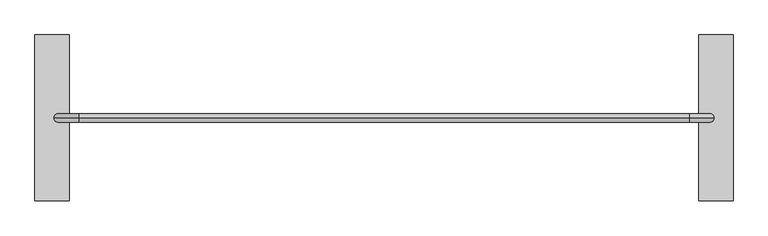
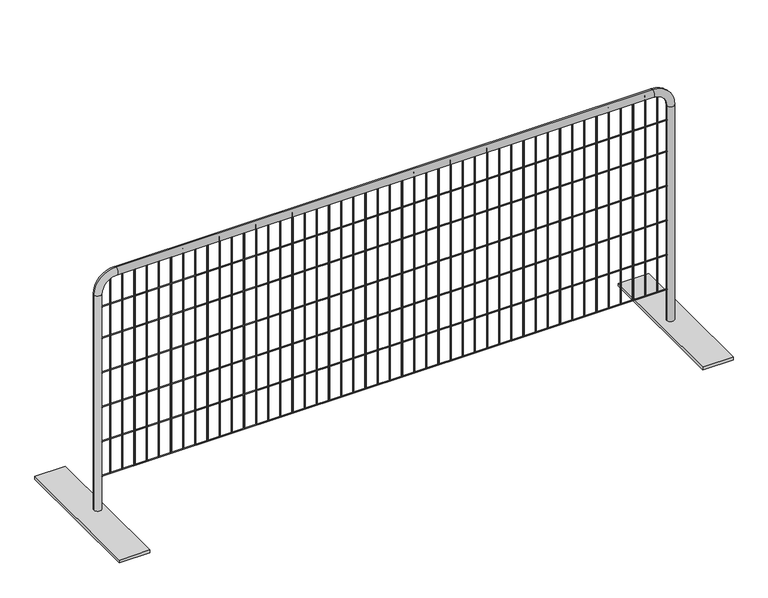
"""IFC4 building model written with IfcOpenShell, lengths in millimetres: railing geometry."""

from ifc_helpers import new_model, si_unit, point, frame, frame_2d, origin, place, context, project, spatial, polyline, circle_curve, ellipse_curve, trimmed, segment, composite_curve, outline, extrude, source, transform, mapped, element, save
from ifc_brep_helpers import plane_surface, cylinder_surface, revolved_surface, advanced_brep


def railing_c651222c(model_context):
    return source(origin(), model_context, "Body", "SolidModel", [
        extrude(outline(polyline([(-8902.625878, 5063.3142786), (-8775.625878, 5063.3142786), (-8775.625878, 4453.7142786), (-8902.625878, 4453.7142786), (-8902.625878, 5063.3142786)])), frame((0.0, 0.0, 4572.0), z_axis=(0.0, 0.0, 1.0), x_axis=(1.0, 0.0, 0.0)), (0.0, 0.0, 1.0), 12.7),
        extrude(outline(composite_curve([segment(trimmed(circle_curve(frame_2d((-11201.1919939, 4760.5716786)), 2.0574), [point((-11201.1919939, 4758.5142786))], [point((-11201.1919939, 4762.6290786))], False, "CARTESIAN"), True, "CONTINUOUS"), segment(trimmed(circle_curve(frame_2d((-11201.1919939, 4760.5716786)), 2.0574), [point((-11201.1919939, 4762.6290786))], [point((-11201.1919939, 4758.5142786))], False, "CARTESIAN"), True, "CONTINUOUS")], self_intersect=False)), frame((0.0, 0.0, 4737.1), z_axis=(0.0, 0.0, 1.0), x_axis=(1.0, 0.0, 0.0)), (0.0, 0.0, 1.0), 882.65),
        extrude(outline(composite_curve([segment(trimmed(circle_curve(frame_2d((-11150.3919939, 4760.5716786)), 2.0574), [point((-11150.3919939, 4758.5142786))], [point((-11150.3919939, 4762.6290786))], False, "CARTESIAN"), True, "CONTINUOUS"), segment(trimmed(circle_curve(frame_2d((-11150.3919939, 4760.5716786)), 2.0574), [point((-11150.3919939, 4762.6290786))], [point((-11150.3919939, 4758.5142786))], False, "CARTESIAN"), True, "CONTINUOUS")], self_intersect=False)), frame((0.0, 0.0, 4737.1), z_axis=(0.0, 0.0, 1.0), x_axis=(1.0, 0.0, 0.0)), (0.0, 0.0, 1.0), 882.65),
        extrude(outline(composite_curve([segment(trimmed(circle_curve(frame_2d((-11099.5919939, 4760.5716786)), 2.0574), [point((-11099.5919939, 4758.5142786))], [point((-11099.5919939, 4762.6290786))], False, "CARTESIAN"), True, "CONTINUOUS"), segment(trimmed(circle_curve(frame_2d((-11099.5919939, 4760.5716786)), 2.0574), [point((-11099.5919939, 4762.6290786))], [point((-11099.5919939, 4758.5142786))], False, "CARTESIAN"), True, "CONTINUOUS")], self_intersect=False)), frame((0.0, 0.0, 4737.1), z_axis=(0.0, 0.0, 1.0), x_axis=(1.0, 0.0, 0.0)), (0.0, 0.0, 1.0), 882.65),
        extrude(outline(composite_curve([segment(trimmed(circle_curve(frame_2d((-11048.7919939, 4760.5716786)), 2.0574), [point((-11048.7919939, 4758.5142786))], [point((-11048.7919939, 4762.6290786))], False, "CARTESIAN"), True, "CONTINUOUS"), segment(trimmed(circle_curve(frame_2d((-11048.7919939, 4760.5716786)), 2.0574), [point((-11048.7919939, 4762.6290786))], [point((-11048.7919939, 4758.5142786))], False, "CARTESIAN"), True, "CONTINUOUS")], self_intersect=False)), frame((0.0, 0.0, 4737.1), z_axis=(0.0, 0.0, 1.0), x_axis=(1.0, 0.0, 0.0)), (0.0, 0.0, 1.0), 882.65),
        extrude(outline(composite_curve([segment(trimmed(circle_curve(frame_2d((-10997.9919939, 4760.5716786)), 2.0574), [point((-10997.9919939, 4758.5142786))], [point((-10997.9919939, 4762.6290786))], False, "CARTESIAN"), True, "CONTINUOUS"), segment(trimmed(circle_curve(frame_2d((-10997.9919939, 4760.5716786)), 2.0574), [point((-10997.9919939, 4762.6290786))], [point((-10997.9919939, 4758.5142786))], False, "CARTESIAN"), True, "CONTINUOUS")], self_intersect=False)), frame((0.0, 0.0, 4737.1), z_axis=(0.0, 0.0, 1.0), x_axis=(1.0, 0.0, 0.0)), (0.0, 0.0, 1.0), 882.65),
        extrude(outline(composite_curve([segment(trimmed(circle_curve(frame_2d((-10947.1919939, 4760.5716786)), 2.0574), [point((-10947.1919939, 4758.5142786))], [point((-10947.1919939, 4762.6290786))], False, "CARTESIAN"), True, "CONTINUOUS"), segment(trimmed(circle_curve(frame_2d((-10947.1919939, 4760.5716786)), 2.0574), [point((-10947.1919939, 4762.6290786))], [point((-10947.1919939, 4758.5142786))], False, "CARTESIAN"), True, "CONTINUOUS")], self_intersect=False)), frame((0.0, 0.0, 4737.1), z_axis=(0.0, 0.0, 1.0), x_axis=(1.0, 0.0, 0.0)), (0.0, 0.0, 1.0), 882.65),
        extrude(outline(composite_curve([segment(trimmed(circle_curve(frame_2d((-10896.3919939, 4760.5716786)), 2.0574), [point((-10896.3919939, 4758.5142786))], [point((-10896.3919939, 4762.6290786))], False, "CARTESIAN"), True, "CONTINUOUS"), segment(trimmed(circle_curve(frame_2d((-10896.3919939, 4760.5716786)), 2.0574), [point((-10896.3919939, 4762.6290786))], [point((-10896.3919939, 4758.5142786))], False, "CARTESIAN"), True, "CONTINUOUS")], self_intersect=False)), frame((0.0, 0.0, 4737.1), z_axis=(0.0, 0.0, 1.0), x_axis=(1.0, 0.0, 0.0)), (0.0, 0.0, 1.0), 882.65),
        extrude(outline(composite_curve([segment(trimmed(circle_curve(frame_2d((-10845.5919939, 4760.5716786)), 2.0574), [point((-10845.5919939, 4758.5142786))], [point((-10845.5919939, 4762.6290786))], False, "CARTESIAN"), True, "CONTINUOUS"), segment(trimmed(circle_curve(frame_2d((-10845.5919939, 4760.5716786)), 2.0574), [point((-10845.5919939, 4762.6290786))], [point((-10845.5919939, 4758.5142786))], False, "CARTESIAN"), True, "CONTINUOUS")], self_intersect=False)), frame((0.0, 0.0, 4737.1), z_axis=(0.0, 0.0, 1.0), x_axis=(1.0, 0.0, 0.0)), (0.0, 0.0, 1.0), 882.65),
        extrude(outline(composite_curve([segment(trimmed(circle_curve(frame_2d((-10794.7919939, 4760.5716786)), 2.0574), [point((-10794.7919939, 4758.5142786))], [point((-10794.7919939, 4762.6290786))], False, "CARTESIAN"), True, "CONTINUOUS"), segment(trimmed(circle_curve(frame_2d((-10794.7919939, 4760.5716786)), 2.0574), [point((-10794.7919939, 4762.6290786))], [point((-10794.7919939, 4758.5142786))], False, "CARTESIAN"), True, "CONTINUOUS")], self_intersect=False)), frame((0.0, 0.0, 4737.1), z_axis=(0.0, 0.0, 1.0), x_axis=(1.0, 0.0, 0.0)), (0.0, 0.0, 1.0), 882.65),
        extrude(outline(composite_curve([segment(trimmed(circle_curve(frame_2d((-10743.9919939, 4760.5716786)), 2.0574), [point((-10743.9919939, 4758.5142786))], [point((-10743.9919939, 4762.6290786))], False, "CARTESIAN"), True, "CONTINUOUS"), segment(trimmed(circle_curve(frame_2d((-10743.9919939, 4760.5716786)), 2.0574), [point((-10743.9919939, 4762.6290786))], [point((-10743.9919939, 4758.5142786))], False, "CARTESIAN"), True, "CONTINUOUS")], self_intersect=False)), frame((0.0, 0.0, 4737.1), z_axis=(0.0, 0.0, 1.0), x_axis=(1.0, 0.0, 0.0)), (0.0, 0.0, 1.0), 882.65),
        extrude(outline(composite_curve([segment(trimmed(circle_curve(frame_2d((-10693.1919939, 4760.5716786)), 2.0574), [point((-10693.1919939, 4758.5142786))], [point((-10693.1919939, 4762.6290786))], False, "CARTESIAN"), True, "CONTINUOUS"), segment(trimmed(circle_curve(frame_2d((-10693.1919939, 4760.5716786)), 2.0574), [point((-10693.1919939, 4762.6290786))], [point((-10693.1919939, 4758.5142786))], False, "CARTESIAN"), True, "CONTINUOUS")], self_intersect=False)), frame((0.0, 0.0, 4737.1), z_axis=(0.0, 0.0, 1.0), x_axis=(1.0, 0.0, 0.0)), (0.0, 0.0, 1.0), 882.65),
        extrude(outline(composite_curve([segment(trimmed(circle_curve(frame_2d((-10642.3919939, 4760.5716786)), 2.0574), [point((-10642.3919939, 4758.5142786))], [point((-10642.3919939, 4762.6290786))], False, "CARTESIAN"), True, "CONTINUOUS"), segment(trimmed(circle_curve(frame_2d((-10642.3919939, 4760.5716786)), 2.0574), [point((-10642.3919939, 4762.6290786))], [point((-10642.3919939, 4758.5142786))], False, "CARTESIAN"), True, "CONTINUOUS")], self_intersect=False)), frame((0.0, 0.0, 4737.1), z_axis=(0.0, 0.0, 1.0), x_axis=(1.0, 0.0, 0.0)), (0.0, 0.0, 1.0), 882.65),
        extrude(outline(composite_curve([segment(trimmed(circle_curve(frame_2d((-10591.5919939, 4760.5716786)), 2.0574), [point((-10591.5919939, 4758.5142786))], [point((-10591.5919939, 4762.6290786))], False, "CARTESIAN"), True, "CONTINUOUS"), segment(trimmed(circle_curve(frame_2d((-10591.5919939, 4760.5716786)), 2.0574), [point((-10591.5919939, 4762.6290786))], [point((-10591.5919939, 4758.5142786))], False, "CARTESIAN"), True, "CONTINUOUS")], self_intersect=False)), frame((0.0, 0.0, 4737.1), z_axis=(0.0, 0.0, 1.0), x_axis=(1.0, 0.0, 0.0)), (0.0, 0.0, 1.0), 882.65),
        extrude(outline(composite_curve([segment(trimmed(circle_curve(frame_2d((-10540.7919939, 4760.5716786)), 2.0574), [point((-10540.7919939, 4758.5142786))], [point((-10540.7919939, 4762.6290786))], False, "CARTESIAN"), True, "CONTINUOUS"), segment(trimmed(circle_curve(frame_2d((-10540.7919939, 4760.5716786)), 2.0574), [point((-10540.7919939, 4762.6290786))], [point((-10540.7919939, 4758.5142786))], False, "CARTESIAN"), True, "CONTINUOUS")], self_intersect=False)), frame((0.0, 0.0, 4737.1), z_axis=(0.0, 0.0, 1.0), x_axis=(1.0, 0.0, 0.0)), (0.0, 0.0, 1.0), 882.65),
        extrude(outline(composite_curve([segment(trimmed(circle_curve(frame_2d((-10489.9919939, 4760.5716786)), 2.0574), [point((-10489.9919939, 4758.5142786))], [point((-10489.9919939, 4762.6290786))], False, "CARTESIAN"), True, "CONTINUOUS"), segment(trimmed(circle_curve(frame_2d((-10489.9919939, 4760.5716786)), 2.0574), [point((-10489.9919939, 4762.6290786))], [point((-10489.9919939, 4758.5142786))], False, "CARTESIAN"), True, "CONTINUOUS")], self_intersect=False)), frame((0.0, 0.0, 4737.1), z_axis=(0.0, 0.0, 1.0), x_axis=(1.0, 0.0, 0.0)), (0.0, 0.0, 1.0), 882.65),
        extrude(outline(composite_curve([segment(trimmed(circle_curve(frame_2d((-10439.1919939, 4760.5716786)), 2.0574), [point((-10439.1919939, 4758.5142786))], [point((-10439.1919939, 4762.6290786))], False, "CARTESIAN"), True, "CONTINUOUS"), segment(trimmed(circle_curve(frame_2d((-10439.1919939, 4760.5716786)), 2.0574), [point((-10439.1919939, 4762.6290786))], [point((-10439.1919939, 4758.5142786))], False, "CARTESIAN"), True, "CONTINUOUS")], self_intersect=False)), frame((0.0, 0.0, 4737.1), z_axis=(0.0, 0.0, 1.0), x_axis=(1.0, 0.0, 0.0)), (0.0, 0.0, 1.0), 882.65),
        extrude(outline(composite_curve([segment(trimmed(circle_curve(frame_2d((-10388.3919939, 4760.5716786)), 2.0574), [point((-10388.3919939, 4758.5142786))], [point((-10388.3919939, 4762.6290786))], False, "CARTESIAN"), True, "CONTINUOUS"), segment(trimmed(circle_curve(frame_2d((-10388.3919939, 4760.5716786)), 2.0574), [point((-10388.3919939, 4762.6290786))], [point((-10388.3919939, 4758.5142786))], False, "CARTESIAN"), True, "CONTINUOUS")], self_intersect=False)), frame((0.0, 0.0, 4737.1), z_axis=(0.0, 0.0, 1.0), x_axis=(1.0, 0.0, 0.0)), (0.0, 0.0, 1.0), 882.65),
        extrude(outline(composite_curve([segment(trimmed(circle_curve(frame_2d((-10337.5919939, 4760.5716786)), 2.0574), [point((-10337.5919939, 4758.5142786))], [point((-10337.5919939, 4762.6290786))], False, "CARTESIAN"), True, "CONTINUOUS"), segment(trimmed(circle_curve(frame_2d((-10337.5919939, 4760.5716786)), 2.0574), [point((-10337.5919939, 4762.6290786))], [point((-10337.5919939, 4758.5142786))], False, "CARTESIAN"), True, "CONTINUOUS")], self_intersect=False)), frame((0.0, 0.0, 4737.1), z_axis=(0.0, 0.0, 1.0), x_axis=(1.0, 0.0, 0.0)), (0.0, 0.0, 1.0), 882.65),
        extrude(outline(composite_curve([segment(trimmed(circle_curve(frame_2d((-10286.7919939, 4760.5716786)), 2.0574), [point((-10286.7919939, 4758.5142786))], [point((-10286.7919939, 4762.6290786))], False, "CARTESIAN"), True, "CONTINUOUS"), segment(trimmed(circle_curve(frame_2d((-10286.7919939, 4760.5716786)), 2.0574), [point((-10286.7919939, 4762.6290786))], [point((-10286.7919939, 4758.5142786))], False, "CARTESIAN"), True, "CONTINUOUS")], self_intersect=False)), frame((0.0, 0.0, 4737.1), z_axis=(0.0, 0.0, 1.0), x_axis=(1.0, 0.0, 0.0)), (0.0, 0.0, 1.0), 882.65),
        extrude(outline(composite_curve([segment(trimmed(circle_curve(frame_2d((-10235.9919939, 4760.5716786)), 2.0574), [point((-10235.9919939, 4758.5142786))], [point((-10235.9919939, 4762.6290786))], False, "CARTESIAN"), True, "CONTINUOUS"), segment(trimmed(circle_curve(frame_2d((-10235.9919939, 4760.5716786)), 2.0574), [point((-10235.9919939, 4762.6290786))], [point((-10235.9919939, 4758.5142786))], False, "CARTESIAN"), True, "CONTINUOUS")], self_intersect=False)), frame((0.0, 0.0, 4737.1), z_axis=(0.0, 0.0, 1.0), x_axis=(1.0, 0.0, 0.0)), (0.0, 0.0, 1.0), 882.65),
        extrude(outline(composite_curve([segment(trimmed(circle_curve(frame_2d((-10185.1919939, 4760.5716786)), 2.0574), [point((-10185.1919939, 4758.5142786))], [point((-10185.1919939, 4762.6290786))], False, "CARTESIAN"), True, "CONTINUOUS"), segment(trimmed(circle_curve(frame_2d((-10185.1919939, 4760.5716786)), 2.0574), [point((-10185.1919939, 4762.6290786))], [point((-10185.1919939, 4758.5142786))], False, "CARTESIAN"), True, "CONTINUOUS")], self_intersect=False)), frame((0.0, 0.0, 4737.1), z_axis=(0.0, 0.0, 1.0), x_axis=(1.0, 0.0, 0.0)), (0.0, 0.0, 1.0), 882.65),
        extrude(outline(composite_curve([segment(trimmed(circle_curve(frame_2d((-10134.3919939, 4760.5716786)), 2.0574), [point((-10134.3919939, 4758.5142786))], [point((-10134.3919939, 4762.6290786))], False, "CARTESIAN"), True, "CONTINUOUS"), segment(trimmed(circle_curve(frame_2d((-10134.3919939, 4760.5716786)), 2.0574), [point((-10134.3919939, 4762.6290786))], [point((-10134.3919939, 4758.5142786))], False, "CARTESIAN"), True, "CONTINUOUS")], self_intersect=False)), frame((0.0, 0.0, 4737.1), z_axis=(0.0, 0.0, 1.0), x_axis=(1.0, 0.0, 0.0)), (0.0, 0.0, 1.0), 882.65),
        extrude(outline(composite_curve([segment(trimmed(circle_curve(frame_2d((-10083.5919939, 4760.5716786)), 2.0574), [point((-10083.5919939, 4758.5142786))], [point((-10083.5919939, 4762.6290786))], False, "CARTESIAN"), True, "CONTINUOUS"), segment(trimmed(circle_curve(frame_2d((-10083.5919939, 4760.5716786)), 2.0574), [point((-10083.5919939, 4762.6290786))], [point((-10083.5919939, 4758.5142786))], False, "CARTESIAN"), True, "CONTINUOUS")], self_intersect=False)), frame((0.0, 0.0, 4737.1), z_axis=(0.0, 0.0, 1.0), x_axis=(1.0, 0.0, 0.0)), (0.0, 0.0, 1.0), 882.65),
        extrude(outline(composite_curve([segment(trimmed(circle_curve(frame_2d((-10032.7919939, 4760.5716786)), 2.0574), [point((-10032.7919939, 4758.5142786))], [point((-10032.7919939, 4762.6290786))], False, "CARTESIAN"), True, "CONTINUOUS"), segment(trimmed(circle_curve(frame_2d((-10032.7919939, 4760.5716786)), 2.0574), [point((-10032.7919939, 4762.6290786))], [point((-10032.7919939, 4758.5142786))], False, "CARTESIAN"), True, "CONTINUOUS")], self_intersect=False)), frame((0.0, 0.0, 4737.1), z_axis=(0.0, 0.0, 1.0), x_axis=(1.0, 0.0, 0.0)), (0.0, 0.0, 1.0), 882.65),
        extrude(outline(composite_curve([segment(trimmed(circle_curve(frame_2d((-9981.9919939, 4760.5716786)), 2.0574), [point((-9981.9919939, 4758.5142786))], [point((-9981.9919939, 4762.6290786))], False, "CARTESIAN"), True, "CONTINUOUS"), segment(trimmed(circle_curve(frame_2d((-9981.9919939, 4760.5716786)), 2.0574), [point((-9981.9919939, 4762.6290786))], [point((-9981.9919939, 4758.5142786))], False, "CARTESIAN"), True, "CONTINUOUS")], self_intersect=False)), frame((0.0, 0.0, 4737.1), z_axis=(0.0, 0.0, 1.0), x_axis=(1.0, 0.0, 0.0)), (0.0, 0.0, 1.0), 882.65),
        extrude(outline(composite_curve([segment(trimmed(circle_curve(frame_2d((-9931.1919939, 4760.5716786)), 2.0574), [point((-9931.1919939, 4758.5142786))], [point((-9931.1919939, 4762.6290786))], False, "CARTESIAN"), True, "CONTINUOUS"), segment(trimmed(circle_curve(frame_2d((-9931.1919939, 4760.5716786)), 2.0574), [point((-9931.1919939, 4762.6290786))], [point((-9931.1919939, 4758.5142786))], False, "CARTESIAN"), True, "CONTINUOUS")], self_intersect=False)), frame((0.0, 0.0, 4737.1), z_axis=(0.0, 0.0, 1.0), x_axis=(1.0, 0.0, 0.0)), (0.0, 0.0, 1.0), 882.65),
        extrude(outline(composite_curve([segment(trimmed(circle_curve(frame_2d((-9880.3919939, 4760.5716786)), 2.0574), [point((-9880.3919939, 4758.5142786))], [point((-9880.3919939, 4762.6290786))], False, "CARTESIAN"), True, "CONTINUOUS"), segment(trimmed(circle_curve(frame_2d((-9880.3919939, 4760.5716786)), 2.0574), [point((-9880.3919939, 4762.6290786))], [point((-9880.3919939, 4758.5142786))], False, "CARTESIAN"), True, "CONTINUOUS")], self_intersect=False)), frame((0.0, 0.0, 4737.1), z_axis=(0.0, 0.0, 1.0), x_axis=(1.0, 0.0, 0.0)), (0.0, 0.0, 1.0), 882.65),
        extrude(outline(composite_curve([segment(trimmed(circle_curve(frame_2d((-9829.5919939, 4760.5716786)), 2.0574), [point((-9829.5919939, 4758.5142786))], [point((-9829.5919939, 4762.6290786))], False, "CARTESIAN"), True, "CONTINUOUS"), segment(trimmed(circle_curve(frame_2d((-9829.5919939, 4760.5716786)), 2.0574), [point((-9829.5919939, 4762.6290786))], [point((-9829.5919939, 4758.5142786))], False, "CARTESIAN"), True, "CONTINUOUS")], self_intersect=False)), frame((0.0, 0.0, 4737.1), z_axis=(0.0, 0.0, 1.0), x_axis=(1.0, 0.0, 0.0)), (0.0, 0.0, 1.0), 882.65),
        extrude(outline(composite_curve([segment(trimmed(circle_curve(frame_2d((-9778.7919939, 4760.5716786)), 2.0574), [point((-9778.7919939, 4758.5142786))], [point((-9778.7919939, 4762.6290786))], False, "CARTESIAN"), True, "CONTINUOUS"), segment(trimmed(circle_curve(frame_2d((-9778.7919939, 4760.5716786)), 2.0574), [point((-9778.7919939, 4762.6290786))], [point((-9778.7919939, 4758.5142786))], False, "CARTESIAN"), True, "CONTINUOUS")], self_intersect=False)), frame((0.0, 0.0, 4737.1), z_axis=(0.0, 0.0, 1.0), x_axis=(1.0, 0.0, 0.0)), (0.0, 0.0, 1.0), 882.65),
        extrude(outline(composite_curve([segment(trimmed(circle_curve(frame_2d((-9727.9919939, 4760.5716786)), 2.0574), [point((-9727.9919939, 4758.5142786))], [point((-9727.9919939, 4762.6290786))], False, "CARTESIAN"), True, "CONTINUOUS"), segment(trimmed(circle_curve(frame_2d((-9727.9919939, 4760.5716786)), 2.0574), [point((-9727.9919939, 4762.6290786))], [point((-9727.9919939, 4758.5142786))], False, "CARTESIAN"), True, "CONTINUOUS")], self_intersect=False)), frame((0.0, 0.0, 4737.1), z_axis=(0.0, 0.0, 1.0), x_axis=(1.0, 0.0, 0.0)), (0.0, 0.0, 1.0), 882.65),
        extrude(outline(composite_curve([segment(trimmed(circle_curve(frame_2d((-9677.1919939, 4760.5716786)), 2.0574), [point((-9677.1919939, 4758.5142786))], [point((-9677.1919939, 4762.6290786))], False, "CARTESIAN"), True, "CONTINUOUS"), segment(trimmed(circle_curve(frame_2d((-9677.1919939, 4760.5716786)), 2.0574), [point((-9677.1919939, 4762.6290786))], [point((-9677.1919939, 4758.5142786))], False, "CARTESIAN"), True, "CONTINUOUS")], self_intersect=False)), frame((0.0, 0.0, 4737.1), z_axis=(0.0, 0.0, 1.0), x_axis=(1.0, 0.0, 0.0)), (0.0, 0.0, 1.0), 882.65),
        extrude(outline(composite_curve([segment(trimmed(circle_curve(frame_2d((-9626.3919939, 4760.5716786)), 2.0574), [point((-9626.3919939, 4758.5142786))], [point((-9626.3919939, 4762.6290786))], False, "CARTESIAN"), True, "CONTINUOUS"), segment(trimmed(circle_curve(frame_2d((-9626.3919939, 4760.5716786)), 2.0574), [point((-9626.3919939, 4762.6290786))], [point((-9626.3919939, 4758.5142786))], False, "CARTESIAN"), True, "CONTINUOUS")], self_intersect=False)), frame((0.0, 0.0, 4737.1), z_axis=(0.0, 0.0, 1.0), x_axis=(1.0, 0.0, 0.0)), (0.0, 0.0, 1.0), 882.65),
        extrude(outline(composite_curve([segment(trimmed(circle_curve(frame_2d((-9575.5919939, 4760.5716786)), 2.0574), [point((-9575.5919939, 4758.5142786))], [point((-9575.5919939, 4762.6290786))], False, "CARTESIAN"), True, "CONTINUOUS"), segment(trimmed(circle_curve(frame_2d((-9575.5919939, 4760.5716786)), 2.0574), [point((-9575.5919939, 4762.6290786))], [point((-9575.5919939, 4758.5142786))], False, "CARTESIAN"), True, "CONTINUOUS")], self_intersect=False)), frame((0.0, 0.0, 4737.1), z_axis=(0.0, 0.0, 1.0), x_axis=(1.0, 0.0, 0.0)), (0.0, 0.0, 1.0), 882.65),
        extrude(outline(composite_curve([segment(trimmed(circle_curve(frame_2d((-9524.7919939, 4760.5716786)), 2.0574), [point((-9524.7919939, 4758.5142786))], [point((-9524.7919939, 4762.6290786))], False, "CARTESIAN"), True, "CONTINUOUS"), segment(trimmed(circle_curve(frame_2d((-9524.7919939, 4760.5716786)), 2.0574), [point((-9524.7919939, 4762.6290786))], [point((-9524.7919939, 4758.5142786))], False, "CARTESIAN"), True, "CONTINUOUS")], self_intersect=False)), frame((0.0, 0.0, 4737.1), z_axis=(0.0, 0.0, 1.0), x_axis=(1.0, 0.0, 0.0)), (0.0, 0.0, 1.0), 882.65),
        extrude(outline(composite_curve([segment(trimmed(circle_curve(frame_2d((-9473.9919939, 4760.5716786)), 2.0574), [point((-9473.9919939, 4758.5142786))], [point((-9473.9919939, 4762.6290786))], False, "CARTESIAN"), True, "CONTINUOUS"), segment(trimmed(circle_curve(frame_2d((-9473.9919939, 4760.5716786)), 2.0574), [point((-9473.9919939, 4762.6290786))], [point((-9473.9919939, 4758.5142786))], False, "CARTESIAN"), True, "CONTINUOUS")], self_intersect=False)), frame((0.0, 0.0, 4737.1), z_axis=(0.0, 0.0, 1.0), x_axis=(1.0, 0.0, 0.0)), (0.0, 0.0, 1.0), 882.65),
        extrude(outline(composite_curve([segment(trimmed(circle_curve(frame_2d((-9423.1919939, 4760.5716786)), 2.0574), [point((-9423.1919939, 4758.5142786))], [point((-9423.1919939, 4762.6290786))], False, "CARTESIAN"), True, "CONTINUOUS"), segment(trimmed(circle_curve(frame_2d((-9423.1919939, 4760.5716786)), 2.0574), [point((-9423.1919939, 4762.6290786))], [point((-9423.1919939, 4758.5142786))], False, "CARTESIAN"), True, "CONTINUOUS")], self_intersect=False)), frame((0.0, 0.0, 4737.1), z_axis=(0.0, 0.0, 1.0), x_axis=(1.0, 0.0, 0.0)), (0.0, 0.0, 1.0), 882.65),
        extrude(outline(composite_curve([segment(trimmed(circle_curve(frame_2d((-9372.3919939, 4760.5716786)), 2.0574), [point((-9372.3919939, 4758.5142786))], [point((-9372.3919939, 4762.6290786))], False, "CARTESIAN"), True, "CONTINUOUS"), segment(trimmed(circle_curve(frame_2d((-9372.3919939, 4760.5716786)), 2.0574), [point((-9372.3919939, 4762.6290786))], [point((-9372.3919939, 4758.5142786))], False, "CARTESIAN"), True, "CONTINUOUS")], self_intersect=False)), frame((0.0, 0.0, 4737.1), z_axis=(0.0, 0.0, 1.0), x_axis=(1.0, 0.0, 0.0)), (0.0, 0.0, 1.0), 882.65),
        extrude(outline(composite_curve([segment(trimmed(circle_curve(frame_2d((-9321.5919939, 4760.5716786)), 2.0574), [point((-9321.5919939, 4758.5142786))], [point((-9321.5919939, 4762.6290786))], False, "CARTESIAN"), True, "CONTINUOUS"), segment(trimmed(circle_curve(frame_2d((-9321.5919939, 4760.5716786)), 2.0574), [point((-9321.5919939, 4762.6290786))], [point((-9321.5919939, 4758.5142786))], False, "CARTESIAN"), True, "CONTINUOUS")], self_intersect=False)), frame((0.0, 0.0, 4737.1), z_axis=(0.0, 0.0, 1.0), x_axis=(1.0, 0.0, 0.0)), (0.0, 0.0, 1.0), 882.65),
        extrude(outline(composite_curve([segment(trimmed(circle_curve(frame_2d((-9270.7919939, 4760.5716786)), 2.0574), [point((-9270.7919939, 4758.5142786))], [point((-9270.7919939, 4762.6290786))], False, "CARTESIAN"), True, "CONTINUOUS"), segment(trimmed(circle_curve(frame_2d((-9270.7919939, 4760.5716786)), 2.0574), [point((-9270.7919939, 4762.6290786))], [point((-9270.7919939, 4758.5142786))], False, "CARTESIAN"), True, "CONTINUOUS")], self_intersect=False)), frame((0.0, 0.0, 4737.1), z_axis=(0.0, 0.0, 1.0), x_axis=(1.0, 0.0, 0.0)), (0.0, 0.0, 1.0), 882.65),
        extrude(outline(composite_curve([segment(trimmed(circle_curve(frame_2d((-9219.9919939, 4760.5716786)), 2.0574), [point((-9219.9919939, 4758.5142786))], [point((-9219.9919939, 4762.6290786))], False, "CARTESIAN"), True, "CONTINUOUS"), segment(trimmed(circle_curve(frame_2d((-9219.9919939, 4760.5716786)), 2.0574), [point((-9219.9919939, 4762.6290786))], [point((-9219.9919939, 4758.5142786))], False, "CARTESIAN"), True, "CONTINUOUS")], self_intersect=False)), frame((0.0, 0.0, 4737.1), z_axis=(0.0, 0.0, 1.0), x_axis=(1.0, 0.0, 0.0)), (0.0, 0.0, 1.0), 882.65),
        extrude(outline(composite_curve([segment(trimmed(circle_curve(frame_2d((-9169.1919939, 4760.5716786)), 2.0574), [point((-9169.1919939, 4758.5142786))], [point((-9169.1919939, 4762.6290786))], False, "CARTESIAN"), True, "CONTINUOUS"), segment(trimmed(circle_curve(frame_2d((-9169.1919939, 4760.5716786)), 2.0574), [point((-9169.1919939, 4762.6290786))], [point((-9169.1919939, 4758.5142786))], False, "CARTESIAN"), True, "CONTINUOUS")], self_intersect=False)), frame((0.0, 0.0, 4737.1), z_axis=(0.0, 0.0, 1.0), x_axis=(1.0, 0.0, 0.0)), (0.0, 0.0, 1.0), 882.65),
        extrude(outline(composite_curve([segment(trimmed(circle_curve(frame_2d((-9118.3919939, 4760.5716786)), 2.0574), [point((-9118.3919939, 4758.5142786))], [point((-9118.3919939, 4762.6290786))], False, "CARTESIAN"), True, "CONTINUOUS"), segment(trimmed(circle_curve(frame_2d((-9118.3919939, 4760.5716786)), 2.0574), [point((-9118.3919939, 4762.6290786))], [point((-9118.3919939, 4758.5142786))], False, "CARTESIAN"), True, "CONTINUOUS")], self_intersect=False)), frame((0.0, 0.0, 4737.1), z_axis=(0.0, 0.0, 1.0), x_axis=(1.0, 0.0, 0.0)), (0.0, 0.0, 1.0), 882.65),
        extrude(outline(composite_curve([segment(trimmed(circle_curve(frame_2d((-9067.5919939, 4760.5716786)), 2.0574), [point((-9067.5919939, 4758.5142786))], [point((-9067.5919939, 4762.6290786))], False, "CARTESIAN"), True, "CONTINUOUS"), segment(trimmed(circle_curve(frame_2d((-9067.5919939, 4760.5716786)), 2.0574), [point((-9067.5919939, 4762.6290786))], [point((-9067.5919939, 4758.5142786))], False, "CARTESIAN"), True, "CONTINUOUS")], self_intersect=False)), frame((0.0, 0.0, 4737.1), z_axis=(0.0, 0.0, 1.0), x_axis=(1.0, 0.0, 0.0)), (0.0, 0.0, 1.0), 882.65),
        extrude(outline(composite_curve([segment(trimmed(circle_curve(frame_2d((-9016.7919939, 4760.5716786)), 2.0574), [point((-9016.7919939, 4758.5142786))], [point((-9016.7919939, 4762.6290786))], False, "CARTESIAN"), True, "CONTINUOUS"), segment(trimmed(circle_curve(frame_2d((-9016.7919939, 4760.5716786)), 2.0574), [point((-9016.7919939, 4762.6290786))], [point((-9016.7919939, 4758.5142786))], False, "CARTESIAN"), True, "CONTINUOUS")], self_intersect=False)), frame((0.0, 0.0, 4737.1), z_axis=(0.0, 0.0, 1.0), x_axis=(1.0, 0.0, 0.0)), (0.0, 0.0, 1.0), 882.65),
        extrude(outline(composite_curve([segment(trimmed(circle_curve(frame_2d((-8965.9919939, 4760.5716786)), 2.0574), [point((-8965.9919939, 4758.5142786))], [point((-8965.9919939, 4762.6290786))], False, "CARTESIAN"), True, "CONTINUOUS"), segment(trimmed(circle_curve(frame_2d((-8965.9919939, 4760.5716786)), 2.0574), [point((-8965.9919939, 4762.6290786))], [point((-8965.9919939, 4758.5142786))], False, "CARTESIAN"), True, "CONTINUOUS")], self_intersect=False)), frame((0.0, 0.0, 4737.1), z_axis=(0.0, 0.0, 1.0), x_axis=(1.0, 0.0, 0.0)), (0.0, 0.0, 1.0), 882.65),
        extrude(outline(composite_curve([segment(trimmed(circle_curve(frame_2d((-8915.1919939, 4760.5716786)), 2.0574), [point((-8915.1919939, 4758.5142786))], [point((-8915.1919939, 4762.6290786))], False, "CARTESIAN"), True, "CONTINUOUS"), segment(trimmed(circle_curve(frame_2d((-8915.1919939, 4760.5716786)), 2.0574), [point((-8915.1919939, 4762.6290786))], [point((-8915.1919939, 4758.5142786))], False, "CARTESIAN"), True, "CONTINUOUS")], self_intersect=False)), frame((0.0, 0.0, 4737.1), z_axis=(0.0, 0.0, 1.0), x_axis=(1.0, 0.0, 0.0)), (0.0, 0.0, 1.0), 882.65),
        extrude(outline(composite_curve([segment(trimmed(circle_curve(frame_2d((4756.4568786, 4737.1)), 2.0574), [point((4754.3994786, 4737.1))], [point((4758.5142786, 4737.1))], False, "CARTESIAN"), True, "CONTINUOUS"), segment(trimmed(circle_curve(frame_2d((4756.4568786, 4737.1)), 2.0574), [point((4758.5142786, 4737.1))], [point((4754.3994786, 4737.1))], False, "CARTESIAN"), True, "CONTINUOUS")], self_intersect=False)), frame((-11239.425878, 0.0, 0.0), z_axis=(1.0, 0.0, 0.0), x_axis=(0.0, 1.0, 0.0)), (0.0, 0.0, 1.0), 2362.2),
        extrude(outline(composite_curve([segment(trimmed(circle_curve(frame_2d((4756.4568786, 4889.5)), 2.0574), [point((4754.3994786, 4889.5))], [point((4758.5142786, 4889.5))], False, "CARTESIAN"), True, "CONTINUOUS"), segment(trimmed(circle_curve(frame_2d((4756.4568786, 4889.5)), 2.0574), [point((4758.5142786, 4889.5))], [point((4754.3994786, 4889.5))], False, "CARTESIAN"), True, "CONTINUOUS")], self_intersect=False)), frame((-11239.425878, 0.0, 0.0), z_axis=(1.0, 0.0, 0.0), x_axis=(0.0, 1.0, 0.0)), (0.0, 0.0, 1.0), 2362.2),
        extrude(outline(composite_curve([segment(trimmed(circle_curve(frame_2d((4756.4568786, 5041.9)), 2.0574), [point((4754.3994786, 5041.9))], [point((4758.5142786, 5041.9))], False, "CARTESIAN"), True, "CONTINUOUS"), segment(trimmed(circle_curve(frame_2d((4756.4568786, 5041.9)), 2.0574), [point((4758.5142786, 5041.9))], [point((4754.3994786, 5041.9))], False, "CARTESIAN"), True, "CONTINUOUS")], self_intersect=False)), frame((-11239.425878, 0.0, 0.0), z_axis=(1.0, 0.0, 0.0), x_axis=(0.0, 1.0, 0.0)), (0.0, 0.0, 1.0), 2362.2),
        extrude(outline(composite_curve([segment(trimmed(circle_curve(frame_2d((4756.4568786, 5194.3)), 2.0574), [point((4754.3994786, 5194.3))], [point((4758.5142786, 5194.3))], False, "CARTESIAN"), True, "CONTINUOUS"), segment(trimmed(circle_curve(frame_2d((4756.4568786, 5194.3)), 2.0574), [point((4758.5142786, 5194.3))], [point((4754.3994786, 5194.3))], False, "CARTESIAN"), True, "CONTINUOUS")], self_intersect=False)), frame((-11239.425878, 0.0, 0.0), z_axis=(1.0, 0.0, 0.0), x_axis=(0.0, 1.0, 0.0)), (0.0, 0.0, 1.0), 2362.2),
        extrude(outline(composite_curve([segment(trimmed(circle_curve(frame_2d((4756.4568786, 5346.7)), 2.0574), [point((4754.3994786, 5346.7))], [point((4758.5142786, 5346.7))], False, "CARTESIAN"), True, "CONTINUOUS"), segment(trimmed(circle_curve(frame_2d((4756.4568786, 5346.7)), 2.0574), [point((4758.5142786, 5346.7))], [point((4754.3994786, 5346.7))], False, "CARTESIAN"), True, "CONTINUOUS")], self_intersect=False)), frame((-11239.425878, 0.0, 0.0), z_axis=(1.0, 0.0, 0.0), x_axis=(0.0, 1.0, 0.0)), (0.0, 0.0, 1.0), 2362.2),
        extrude(outline(composite_curve([segment(trimmed(circle_curve(frame_2d((4756.4568786, 5486.4)), 2.0574), [point((4754.3994786, 5486.4))], [point((4758.5142786, 5486.4))], False, "CARTESIAN"), True, "CONTINUOUS"), segment(trimmed(circle_curve(frame_2d((4756.4568786, 5486.4)), 2.0574), [point((4758.5142786, 5486.4))], [point((4754.3994786, 5486.4))], False, "CARTESIAN"), True, "CONTINUOUS")], self_intersect=False)), frame((-11239.425878, 0.0, 0.0), z_axis=(1.0, 0.0, 0.0), x_axis=(0.0, 1.0, 0.0)), (0.0, 0.0, 1.0), 2362.2),
        advanced_brep(
        [(-11271.175878, 4758.5142786, 4597.4), (-11239.425878, 4758.5142786, 4597.4), (-11271.175878, 4758.5142786, 5546.725), (-11239.425878, 4758.5142786, 5546.725), (-11179.100878, 4758.5142786, 5607.05), (-11179.100878, 4758.5142786, 5638.8), (-8937.550878, 4758.5142786, 5638.8), (-8937.550878, 4758.5142786, 5607.05), (-8877.225878, 4758.5142786, 5546.725), (-8845.475878, 4758.5142786, 5546.725), (-8845.475878, 4758.5142786, 4597.4), (-8877.225878, 4758.5142786, 4597.4)],
        [
            (0, 1, circle_curve(frame((-11255.300878, 4758.5142786, 4597.4), z_axis=(0.0, 0.0, -1.0), x_axis=(1.0, 0.0, 0.0)), 15.875)),
            (1, 0, circle_curve(frame((-11255.300878, 4758.5142786, 4597.4), z_axis=(0.0, 0.0, -1.0), x_axis=(1.0, 0.0, 0.0)), 15.875)),
            (0, 2),
            (2, 3, circle_curve(frame((-11255.300878, 4758.5142786, 5546.725), z_axis=(0.0, 0.0, -1.0), x_axis=(1.0, 0.0, 0.0)), 15.875)),
            (3, 1),
            (3, 2, circle_curve(frame((-11255.300878, 4758.5142786, 5546.725), z_axis=(0.0, 0.0, -1.0), x_axis=(1.0, 0.0, 0.0)), 15.875)),
            (4, 3, circle_curve(frame((-11179.100878, 4758.5142786, 5546.725), z_axis=(0.0, -1.0, 0.0), x_axis=(-1.0, 0.0, 0.0)), 60.325)),
            (2, 5, circle_curve(frame((-11179.100878, 4758.5142786, 5546.725), z_axis=(0.0, 1.0, 0.0), x_axis=(-1.0, 0.0, 0.0)), 92.075)),
            (5, 4, circle_curve(frame((-11179.100878, 4758.5142786, 5622.925), z_axis=(-1.0, 0.0, 0.0), x_axis=(0.0, 0.0, -1.0)), 15.875)),
            (4, 5, circle_curve(frame((-11179.100878, 4758.5142786, 5622.925), z_axis=(-1.0, 0.0, 0.0), x_axis=(0.0, 0.0, -1.0)), 15.875)),
            (5, 6),
            (6, 7, circle_curve(frame((-8937.550878, 4758.5142786, 5622.925), z_axis=(-1.0, 0.0, 0.0), x_axis=(0.0, 0.0, -1.0)), 15.875)),
            (7, 4),
            (7, 6, circle_curve(frame((-8937.550878, 4758.5142786, 5622.925), z_axis=(-1.0, 0.0, 0.0), x_axis=(0.0, 0.0, -1.0)), 15.875)),
            (8, 7, circle_curve(frame((-8937.550878, 4758.5142786, 5546.725), z_axis=(0.0, -1.0, 0.0), x_axis=(0.0, 0.0, 1.0)), 60.325)),
            (6, 9, circle_curve(frame((-8937.550878, 4758.5142786, 5546.725), z_axis=(0.0, 1.0, 0.0), x_axis=(0.0, 0.0, 1.0)), 92.075)),
            (9, 8, circle_curve(frame((-8861.350878, 4758.5142786, 5546.725), z_axis=(0.0, 0.0, 1.0), x_axis=(-1.0, 0.0, 0.0)), 15.875)),
            (8, 9, circle_curve(frame((-8861.350878, 4758.5142786, 5546.725), z_axis=(0.0, 0.0, 1.0), x_axis=(-1.0, 0.0, 0.0)), 15.875)),
            (10, 11, circle_curve(frame((-8861.350878, 4758.5142786, 4597.4), z_axis=(0.0, 0.0, -1.0), x_axis=(-1.0, 0.0, 0.0)), 15.875)),
            (11, 10, circle_curve(frame((-8861.350878, 4758.5142786, 4597.4), z_axis=(0.0, 0.0, -1.0), x_axis=(-1.0, 0.0, 0.0)), 15.875)),
            (9, 10),
            (11, 8),
        ],
        [
            plane_surface(frame((-11255.300878, 4758.5142786, 4597.4), z_axis=(0.0, 0.0, -1.0), x_axis=(0.0, 1.0, 0.0))),
            cylinder_surface(frame((-11255.300878, 4758.5142786, 4597.4), z_axis=(0.0, 0.0, -1.0), x_axis=(1.0, 0.0, 0.0)), 15.875),
            revolved_surface(trimmed(ellipse_curve(frame((-11255.300878, 4758.5142786, 5546.725), z_axis=(0.0, 0.0, -1.0), x_axis=(1.0, 0.0, 0.0)), 15.875, 15.875), [point((-11271.175878, 4758.5142786, 5546.725))], [point((-11239.425878, 4758.5142786, 5546.725))], True, "CARTESIAN"), (-11179.100878, 4758.5142786, 5546.725), (0.0, 1.0, 0.0)),
            revolved_surface(trimmed(ellipse_curve(frame((-11255.300878, 4758.5142786, 5546.725), z_axis=(0.0, 0.0, -1.0), x_axis=(1.0, 0.0, 0.0)), 15.875, 15.875), [point((-11239.425878, 4758.5142786, 5546.725))], [point((-11271.175878, 4758.5142786, 5546.725))], True, "CARTESIAN"), (-11179.100878, 4758.5142786, 5546.725), (0.0, 1.0, 0.0)),
            cylinder_surface(frame((-11179.100878, 4758.5142786, 5622.925), z_axis=(-1.0, 0.0, 0.0), x_axis=(0.0, 0.0, -1.0)), 15.875),
            revolved_surface(trimmed(ellipse_curve(frame((-8937.550878, 4758.5142786, 5622.925), z_axis=(-1.0, 0.0, 0.0), x_axis=(0.0, 0.0, -1.0)), 15.875, 15.875), [point((-8937.550878, 4758.5142786, 5638.8))], [point((-8937.550878, 4758.5142786, 5607.05))], True, "CARTESIAN"), (-8937.550878, 4758.5142786, 5546.725), (0.0, 1.0, 0.0)),
            revolved_surface(trimmed(ellipse_curve(frame((-8937.550878, 4758.5142786, 5622.925), z_axis=(-1.0, 0.0, 0.0), x_axis=(0.0, 0.0, -1.0)), 15.875, 15.875), [point((-8937.550878, 4758.5142786, 5607.05))], [point((-8937.550878, 4758.5142786, 5638.8))], True, "CARTESIAN"), (-8937.550878, 4758.5142786, 5546.725), (0.0, 1.0, 0.0)),
            plane_surface(frame((-8861.350878, 4758.5142786, 4597.4), z_axis=(0.0, 0.0, -1.0), x_axis=(0.0, 1.0, 0.0))),
            cylinder_surface(frame((-8861.350878, 4758.5142786, 5546.725), z_axis=(0.0, 0.0, 1.0), x_axis=(-1.0, 0.0, 0.0)), 15.875),
        ],
        [
            (0, [[1, 2]]),
            (1, [[-1, 3, 4, 5]]),
            (1, [[-2, -5, 6, -3]]),
            (2, [[7, -4, 8, 9]]),
            (3, [[-8, -6, -7, 10]]),
            (4, [[-9, 11, 12, 13]]),
            (4, [[-10, -13, 14, -11]]),
            (5, [[15, -12, 16, 17]]),
            (6, [[-16, -14, -15, 18]]),
            (7, [[19, 20]]),
            (8, [[-17, 21, -20, 22]]),
            (8, [[-18, -22, -19, -21]]),
        ],
    ),
        extrude(outline(polyline([(-11341.025878, 5063.3142786), (-11214.025878, 5063.3142786), (-11214.025878, 4453.7142786), (-11341.025878, 4453.7142786), (-11341.025878, 5063.3142786)])), frame((0.0, 0.0, 4572.0), z_axis=(0.0, 0.0, 1.0), x_axis=(1.0, 0.0, 0.0)), (0.0, 0.0, 1.0), 12.7),
    ])


if __name__ == "__main__":
    model = new_model("IFC4")
    model_context = context("Model", 3, world=origin())
    ifc_project = project(units=[si_unit("LENGTHUNIT", "METRE", prefix="MILLI")], contexts=[model_context])
    site = spatial("IfcSite", under=ifc_project)
    building = spatial("IfcBuilding", under=site)
    placement = place(None, origin())
    railing_shape = railing_c651222c(model_context)
    element("IfcRailing", 1, at=placement, inside=building, context=model_context, shape_type="MappedRepresentation", body=[
        mapped(railing_shape, transform((0.0, 0.0, 0.0), x_axis=(1.0, 0.0, 0.0), y_axis=(0.0, 1.0, 0.0), z_axis=(0.0, 0.0, 1.0))),
    ])
    save(model, "model.ifc")
